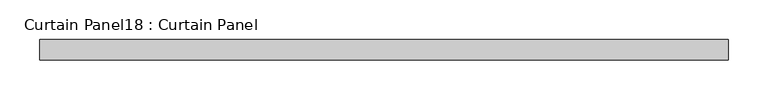
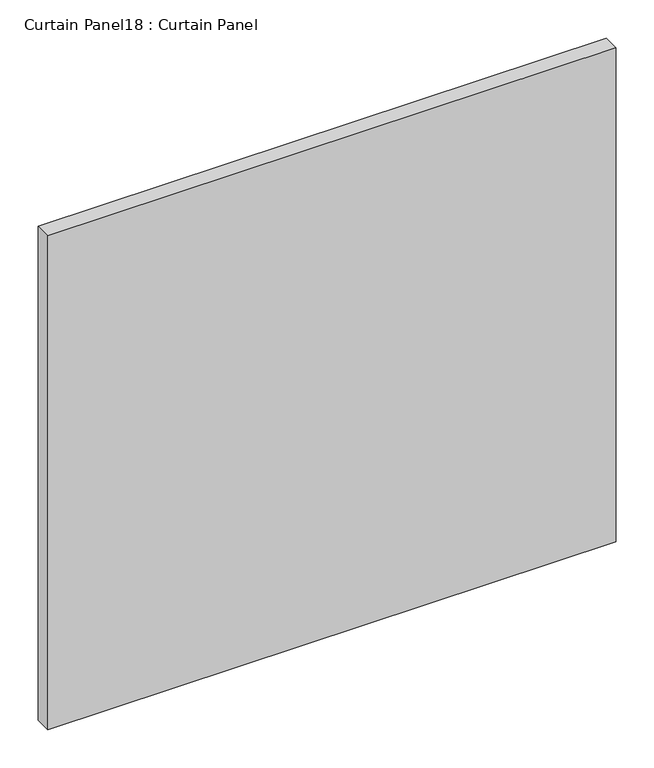
"""IFC4 building model written with IfcOpenShell, lengths in millimetres: plate geometry, Curtain Panel18 : Curtain Panel."""

from ifc_helpers import new_model, si_unit, frame, origin, place, context, project, spatial, polyline, outline, extrude, source, transform, mapped, element, save


def curtain_panel18_curtain_panel_d17d3448(model_context):
    return source(origin(), model_context, "Body", "SweptSolid", [
        extrude(outline(polyline([(10536.9424689, 2827.780256), (9673.3426893, 2827.780256), (9673.3426893, 2853.180256), (10536.9424689, 2853.180256), (10536.9424689, 2827.780256)])), frame((0.0, 0.0, -576.2825526), z_axis=(0.0, 0.0, 1.0), x_axis=(1.0, 0.0, 0.0)), (0.0, 0.0, 1.0), 793.414044),
    ])


if __name__ == "__main__":
    model = new_model("IFC4")
    model_context = context("Model", 3, world=origin())
    ifc_project = project(units=[si_unit("LENGTHUNIT", "METRE", prefix="MILLI")], contexts=[model_context])
    site = spatial("IfcSite", under=ifc_project)
    building = spatial("IfcBuilding", under=site)
    placement = place(None, origin())
    curtain_panel18_curtain_panel_shape = curtain_panel18_curtain_panel_d17d3448(model_context)
    element("IfcPlate", 1, ObjectType="Curtain Panel18 : Curtain Panel", at=placement, inside=building, context=model_context, shape_type="MappedRepresentation", body=[
        mapped(curtain_panel18_curtain_panel_shape, transform((0.0, 0.0, 0.0), x_axis=(1.0, 0.0, 0.0), y_axis=(0.0, 1.0, 0.0), z_axis=(0.0, 0.0, 1.0))),
    ])
    save(model, "model.ifc")
